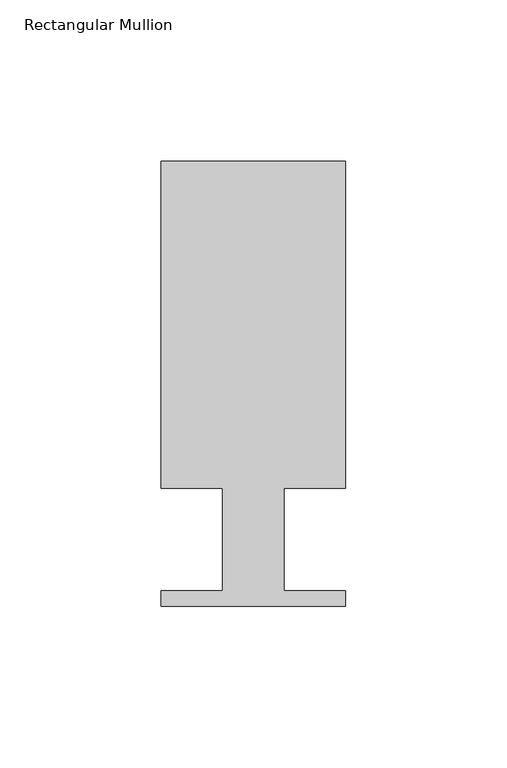
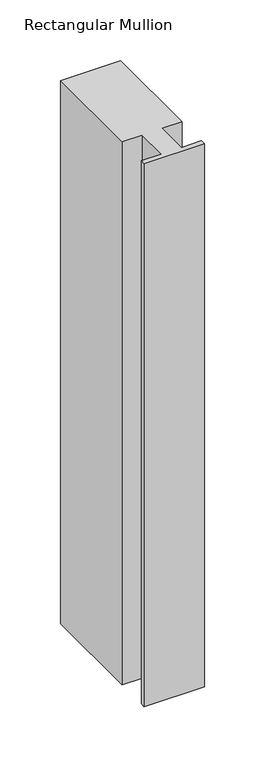
"""IFC4 building model written with IfcOpenShell, lengths in millimetres: member geometry, Rectangular Mullion."""

from ifc_helpers import new_model, si_unit, frame, origin, place, context, project, spatial, polyline, outline, extrude, source, transform, mapped, element, save


def rectangular_mullion_52ea7d72(model_context):
    return source(origin(), model_context, "Body", "SweptSolid", [
        extrude(outline(polyline([(0.0, 138.3268125), (0.0, 37.1078125), (-19.05, 37.1078125), (-19.05, 5.3578125), (0.0, 5.3578125), (0.0, 0.5318125), (-57.15, 0.5318125), (-57.15, 5.3578125), (-38.1, 5.3578125), (-38.1, 37.1078125), (-57.15, 37.1078125), (-57.15, 138.3268125), (0.0, 138.3268125)])), frame((0.0, 0.0, -546.1), z_axis=(0.0, 0.0, 1.0), x_axis=(1.0, 0.0, 0.0)), (0.0, 0.0, 1.0), 546.1),
    ])


if __name__ == "__main__":
    model = new_model("IFC4")
    model_context = context("Model", 3, world=origin())
    ifc_project = project(units=[si_unit("LENGTHUNIT", "METRE", prefix="MILLI")], contexts=[model_context])
    site = spatial("IfcSite", under=ifc_project)
    building = spatial("IfcBuilding", under=site)
    placement = place(None, origin())
    rectangular_mullion_shape = rectangular_mullion_52ea7d72(model_context)
    element("IfcMember", 1, ObjectType="Rectangular Mullion", at=placement, inside=building, context=model_context, shape_type="MappedRepresentation", body=[
        mapped(rectangular_mullion_shape, transform((0.0, 0.0, 0.0), x_axis=(1.0, 0.0, 0.0), y_axis=(0.0, 1.0, 0.0), z_axis=(0.0, 0.0, 1.0))),
    ])
    save(model, "model.ifc")
